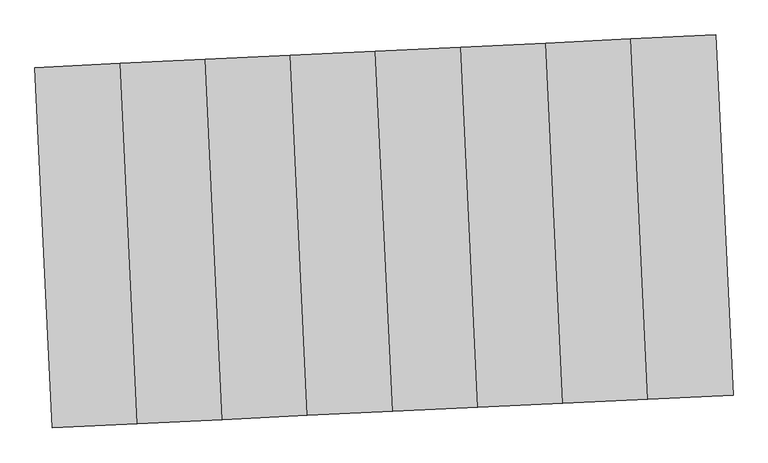
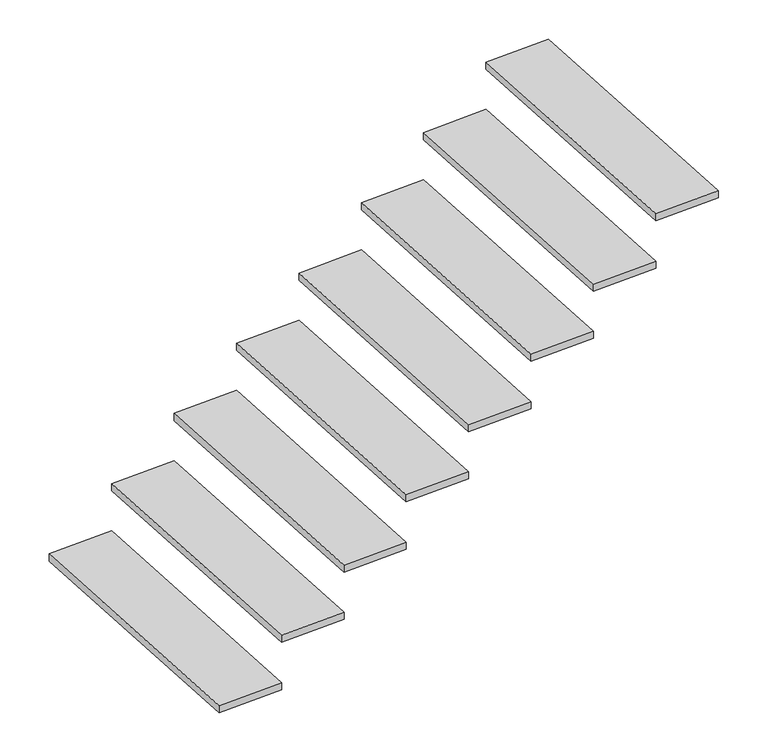
"""IFC4 building model written with IfcOpenShell, lengths in millimetres: stair flight geometry."""

from ifc_helpers import new_model, si_unit, frame, origin, place, context, project, spatial, polyline, outline, extrude, source, transform, mapped, element, save


def stair_flight_7b2b25cc(model_context):
    return source(origin(), model_context, "Body", "SweptSolid", [
        extrude(outline(polyline([(-111114.2990549, 126547.9301558), (-111061.7552971, 125449.1858027), (-111321.4585078, 125436.766369), (-111374.0022656, 126535.5107222), (-111114.2990549, 126547.9301558)])), frame((0.0, 0.0, -4130.2777778), z_axis=(0.0, 0.0, 1.0), x_axis=(1.0, 0.0, 0.0)), (0.0, 0.0, 1.0), 30.0),
        extrude(outline(polyline([(-110854.5958442, 126560.3495895), (-110802.0520863, 125461.6052364), (-111061.7552971, 125449.1858027), (-111114.2990549, 126547.9301558), (-110854.5958442, 126560.3495895)])), frame((0.0, 0.0, -3928.5555556), z_axis=(0.0, 0.0, 1.0), x_axis=(1.0, 0.0, 0.0)), (0.0, 0.0, 1.0), 30.0),
        extrude(outline(polyline([(-110594.8926334, 126572.7690232), (-110542.3488756, 125474.02467), (-110802.0520863, 125461.6052364), (-110854.5958442, 126560.3495895), (-110594.8926334, 126572.7690232)])), frame((0.0, 0.0, -3726.8333333), z_axis=(0.0, 0.0, 1.0), x_axis=(1.0, 0.0, 0.0)), (0.0, 0.0, 1.0), 30.0),
        extrude(outline(polyline([(-110335.1894227, 126585.1884568), (-110282.6456649, 125486.4441037), (-110542.3488756, 125474.02467), (-110594.8926334, 126572.7690232), (-110335.1894227, 126585.1884568)])), frame((0.0, 0.0, -3525.1111111), z_axis=(0.0, 0.0, 1.0), x_axis=(1.0, 0.0, 0.0)), (0.0, 0.0, 1.0), 30.0),
        extrude(outline(polyline([(-110075.4862119, 126597.6078905), (-110022.9424541, 125498.8635374), (-110282.6456649, 125486.4441037), (-110335.1894227, 126585.1884568), (-110075.4862119, 126597.6078905)])), frame((0.0, 0.0, -3323.3888889), z_axis=(0.0, 0.0, 1.0), x_axis=(1.0, 0.0, 0.0)), (0.0, 0.0, 1.0), 30.0),
        extrude(outline(polyline([(-109815.7830012, 126610.0273241), (-109763.2392434, 125511.282971), (-110022.9424541, 125498.8635374), (-110075.4862119, 126597.6078905), (-109815.7830012, 126610.0273241)])), frame((0.0, 0.0, -3121.6666667), z_axis=(0.0, 0.0, 1.0), x_axis=(1.0, 0.0, 0.0)), (0.0, 0.0, 1.0), 30.0),
        extrude(outline(polyline([(-109556.0797905, 126622.4467578), (-109503.5360327, 125523.7024047), (-109763.2392434, 125511.282971), (-109815.7830012, 126610.0273241), (-109556.0797905, 126622.4467578)])), frame((0.0, 0.0, -2919.9444444), z_axis=(0.0, 0.0, 1.0), x_axis=(1.0, 0.0, 0.0)), (0.0, 0.0, 1.0), 30.0),
        extrude(outline(polyline([(-109296.3765797, 126634.8661915), (-109243.8328219, 125536.1218384), (-109503.5360327, 125523.7024047), (-109556.0797905, 126622.4467578), (-109296.3765797, 126634.8661915)])), frame((0.0, 0.0, -2718.2222222), z_axis=(0.0, 0.0, 1.0), x_axis=(1.0, 0.0, 0.0)), (0.0, 0.0, 1.0), 30.0),
    ])


if __name__ == "__main__":
    model = new_model("IFC4")
    model_context = context("Model", 3, world=origin())
    ifc_project = project(units=[si_unit("LENGTHUNIT", "METRE", prefix="MILLI")], contexts=[model_context])
    site = spatial("IfcSite", under=ifc_project)
    building = spatial("IfcBuilding", under=site)
    placement = place(None, origin())
    stair_flight_shape = stair_flight_7b2b25cc(model_context)
    element("IfcStairFlight", 1, at=placement, inside=building, context=model_context, shape_type="MappedRepresentation", body=[
        mapped(stair_flight_shape, transform((0.0, 0.0, 0.0), x_axis=(1.0, 0.0, 0.0), y_axis=(0.0, 1.0, 0.0), z_axis=(0.0, 0.0, 1.0))),
    ])
    save(model, "model.ifc")
